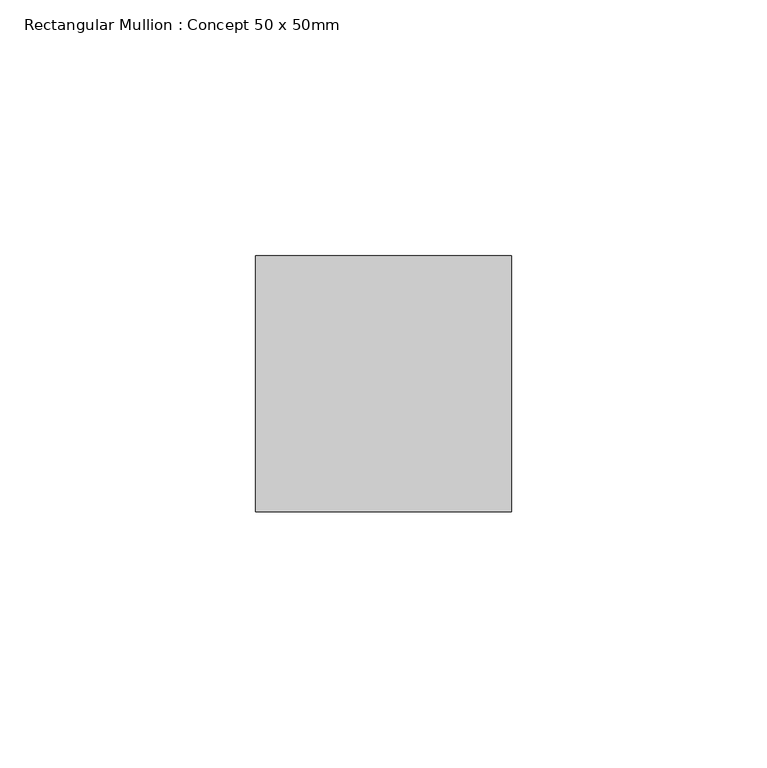
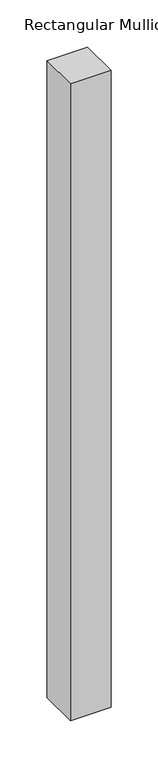
"""IFC4 building model written with IfcOpenShell, lengths in millimetres: member geometry, Rectangular Mullion : Concept 50 x 50mm."""

from ifc_helpers import new_model, si_unit, frame, origin, place, context, project, spatial, polyline, outline, extrude, source, transform, mapped, element, save


def rectangular_mullion_concept_50_x_50mm_2a2ca580(model_context):
    return source(origin(), model_context, "Body", "SweptSolid", [
        extrude(outline(polyline([(25.0, 50.0), (25.0, 0.0), (-25.0, 0.0), (-25.0, 50.0), (25.0, 50.0)])), frame((0.0, 0.0, -826.25), z_axis=(0.0, 0.0, 1.0), x_axis=(1.0, 0.0, 0.0)), (0.0, 0.0, 1.0), 826.25),
    ])


if __name__ == "__main__":
    model = new_model("IFC4")
    model_context = context("Model", 3, world=origin())
    ifc_project = project(units=[si_unit("LENGTHUNIT", "METRE", prefix="MILLI")], contexts=[model_context])
    site = spatial("IfcSite", under=ifc_project)
    building = spatial("IfcBuilding", under=site)
    placement = place(None, origin())
    rectangular_mullion_concept_50_x_50mm_shape = rectangular_mullion_concept_50_x_50mm_2a2ca580(model_context)
    element("IfcMember", 1, ObjectType="Rectangular Mullion : Concept 50 x 50mm", at=placement, inside=building, context=model_context, shape_type="MappedRepresentation", body=[
        mapped(rectangular_mullion_concept_50_x_50mm_shape, transform((0.0, 0.0, 0.0), x_axis=(1.0, 0.0, 0.0), y_axis=(0.0, 1.0, 0.0), z_axis=(0.0, 0.0, 1.0))),
    ])
    save(model, "model.ifc")
